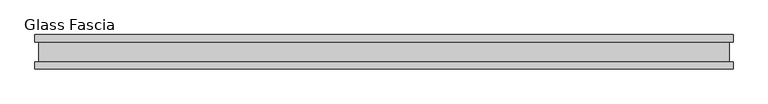
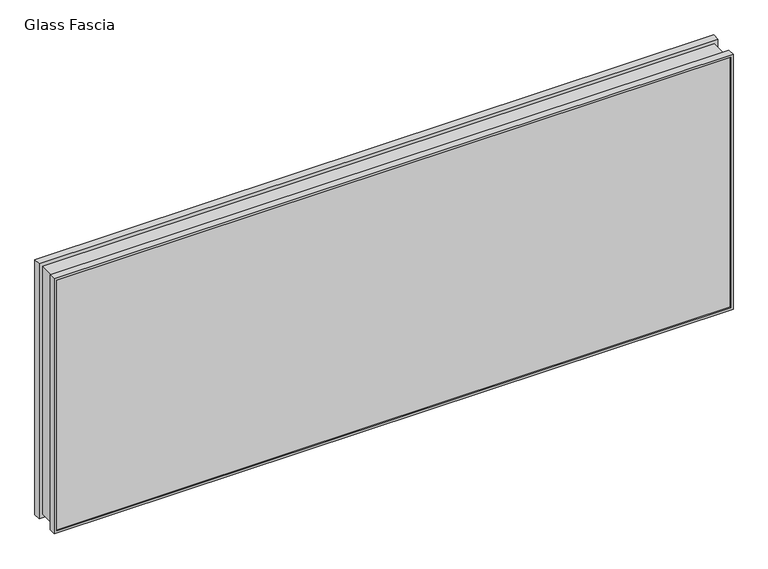
"""IFC4 building model written with IfcOpenShell, lengths in millimetres: proxy geometry, Glass Fascia."""

from ifc_helpers import new_model, si_unit, frame, origin, place, context, project, spatial, polyline, outline, extrude, faceted_brep, source, transform, mapped, element, save


def glass_fascia_e3078b55(model_context):
    return source(origin(), model_context, "Body", "SolidModel", [
        faceted_brep([(1012.8619976, 50.0558594, 807.593), (1012.8619976, 28.2698798, 807.593), (1012.8619976, 28.2698798, 3.175), (1012.8619976, 50.0558594, 3.175), (1005.4267898, 47.1322551, 800.1577922), (1005.4267898, 50.0558594, 800.1577922), (1005.4267898, 50.0558594, 10.6102078), (1005.4267898, 47.1322551, 10.6102078), (1010.7094713, 41.1791301, 805.4404737), (1010.7094713, 47.1322551, 805.4404737), (1010.7094713, 47.1322551, 5.3275263), (1010.7094713, 41.1791301, 5.3275263), (1010.7094713, -46.8808594, 805.4404737), (1010.7094713, -40.9277344, 805.4404737), (1010.7094713, -40.9277344, 5.3275263), (1010.7094713, -46.8808594, 5.3275263), (1005.4267898, -50.0558594, 800.1577922), (1005.4267898, -46.8808594, 800.1577922), (1005.4267898, -46.8808594, 10.6102078), (1005.4267898, -50.0558594, 10.6102078), (1012.8619976, -28.8801202, 807.593), (1012.8619976, -50.0558594, 807.593), (1012.8619976, -50.0558594, 3.175), (1012.8619976, -28.8801202, 3.175), (1002.0101563, 28.2698798, 796.7411586), (1002.0101563, -28.8801202, 796.7411586), (1002.0101563, -28.8801202, 14.0268414), (1002.0101563, 28.2698798, 14.0268414), (-1012.8619976, 28.2698798, 3.175), (-1012.8619976, 50.0558594, 3.175), (-1005.4267898, 50.0558594, 10.6102078), (-1005.4267898, 47.1322551, 10.6102078), (-1010.7094713, 47.1322551, 5.3275263), (-1010.7094713, 41.1791301, 5.3275263), (-1010.7094713, -40.9277344, 5.3275263), (-1010.7094713, -46.8808594, 5.3275263), (-1005.4267898, -46.8808594, 10.6102078), (-1005.4267898, -50.0558594, 10.6102078), (-1012.8619976, -50.0558594, 3.175), (-1012.8619976, -28.8801202, 3.175), (-1002.0101563, -28.8801202, 14.0268414), (-1002.0101563, 28.2698798, 14.0268414), (-1012.8619976, 28.2698798, 807.593), (-1012.8619976, 50.0558594, 807.593), (-1005.4267898, 50.0558594, 800.1577922), (-1005.4267898, 47.1322551, 800.1577922), (-1010.7094713, 47.1322551, 805.4404737), (-1010.7094713, 41.1791301, 805.4404737), (-1010.7094713, -40.9277344, 805.4404737), (-1010.7094713, -46.8808594, 805.4404737), (-1005.4267898, -46.8808594, 800.1577922), (-1005.4267898, -50.0558594, 800.1577922), (-1012.8619976, -50.0558594, 807.593), (-1012.8619976, -28.8801202, 807.593), (-1002.0101563, -28.8801202, 796.7411586), (-1002.0101563, 28.2698798, 796.7411586), (987.3990466, 41.1791301, 782.130049), (-987.3990466, 41.1791301, 782.130049), (-987.3990466, 41.1791301, 28.637951), (987.3990466, 41.1791301, 28.637951), (987.3990466, -40.9277344, 28.637951), (-987.3990466, -40.9277344, 28.637951), (-987.3990466, -40.9277344, 782.130049), (987.3990466, -40.9277344, 782.130049), (987.3990466, 4.7625, 782.130049), (987.3990466, 4.7625, 28.637951), (-987.3990466, 4.7625, 28.637951), (-987.3990466, 4.7625, 782.130049), (997.7177966, -4.7625, 792.448799), (997.7177966, 4.7625, 792.448799), (997.7177966, 4.7625, 18.319201), (997.7177966, -4.7625, 18.319201), (987.3990466, -4.7625, 782.130049), (987.3990466, -4.7625, 28.637951), (-997.7177966, 4.7625, 18.319201), (-997.7177966, -4.7625, 18.319201), (-987.3990466, -4.7625, 28.637951), (-997.7177966, 4.7625, 792.448799), (-997.7177966, -4.7625, 792.448799), (-987.3990466, -4.7625, 782.130049)], [[[0, 1, 2, 3]], [[4, 5, 6, 7]], [[8, 9, 10, 11]], [[12, 13, 14, 15]], [[16, 17, 18, 19]], [[20, 21, 22, 23]], [[24, 25, 26, 27]], [[3, 2, 28, 29]], [[7, 6, 30, 31]], [[11, 10, 32, 33]], [[15, 14, 34, 35]], [[19, 18, 36, 37]], [[23, 22, 38, 39]], [[27, 26, 40, 41]], [[29, 28, 42, 43]], [[31, 30, 44, 45]], [[33, 32, 46, 47]], [[35, 34, 48, 49]], [[37, 36, 50, 51]], [[39, 38, 52, 53]], [[41, 40, 54, 55]], [[43, 42, 1, 0]], [[3, 29, 43, 0], [5, 44, 30, 6]], [[45, 44, 5, 4]], [[9, 46, 32, 10], [7, 31, 45, 4]], [[47, 46, 9, 8]], [[11, 33, 47, 8], [56, 57, 58, 59]], [[13, 48, 34, 14], [60, 61, 62, 63]], [[49, 48, 13, 12]], [[15, 35, 49, 12], [17, 50, 36, 18]], [[51, 50, 17, 16]], [[21, 52, 38, 22], [19, 37, 51, 16]], [[53, 52, 21, 20]], [[23, 39, 53, 20], [25, 54, 40, 26]], [[55, 54, 25, 24]], [[1, 42, 28, 2], [27, 41, 55, 24]], [[64, 56, 59, 65]], [[65, 59, 58, 66]], [[66, 58, 57, 67]], [[67, 57, 56, 64]], [[68, 69, 70, 71]], [[63, 72, 73, 60]], [[71, 70, 74, 75]], [[60, 73, 76, 61]], [[75, 74, 77, 78]], [[61, 76, 79, 62]], [[69, 77, 74, 70], [65, 66, 67, 64]], [[78, 77, 69, 68]], [[62, 79, 72, 63]], [[71, 75, 78, 68], [72, 79, 76, 73]]]),
        extrude(outline(polyline([(1010.7094713, -40.9277344), (1010.7094713, -46.8808594), (-1010.7094713, -46.8808594), (-1010.7094713, -40.9277344), (1010.7094713, -40.9277344)])), frame((0.0, 0.0, 5.3275263), z_axis=(0.0, 0.0, 1.0), x_axis=(1.0, 0.0, 0.0)), (0.0, 0.0, 1.0), 799.618928),
        extrude(outline(polyline([(1010.7094713, 41.1791301), (-1010.7094713, 41.1791301), (-1010.7094713, 47.1322551), (1010.7094713, 47.1322551), (1010.7094713, 41.1791301)])), frame((0.0, 0.0, 5.3275263), z_axis=(0.0, 0.0, 1.0), x_axis=(1.0, 0.0, 0.0)), (0.0, 0.0, 1.0), 799.618928),
    ])


if __name__ == "__main__":
    model = new_model("IFC4")
    model_context = context("Model", 3, world=origin())
    ifc_project = project(units=[si_unit("LENGTHUNIT", "METRE", prefix="MILLI")], contexts=[model_context])
    site = spatial("IfcSite", under=ifc_project)
    building = spatial("IfcBuilding", under=site)
    placement = place(None, origin())
    glass_fascia_shape = glass_fascia_e3078b55(model_context)
    element("IfcBuildingElementProxy", 1, Name="Glass Fascia", ObjectType="Glass Fascia", at=placement, inside=building, context=model_context, shape_type="MappedRepresentation", body=[
        mapped(glass_fascia_shape, transform((0.0, 0.0, 0.0), x_axis=(1.0, 0.0, 0.0), y_axis=(0.0, 1.0, 0.0), z_axis=(0.0, 0.0, 1.0))),
    ])
    save(model, "model.ifc")
